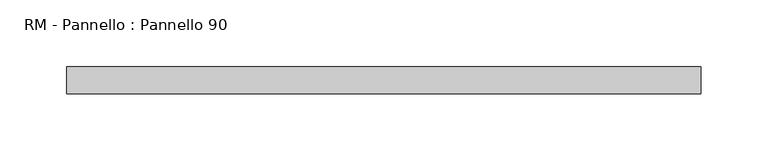
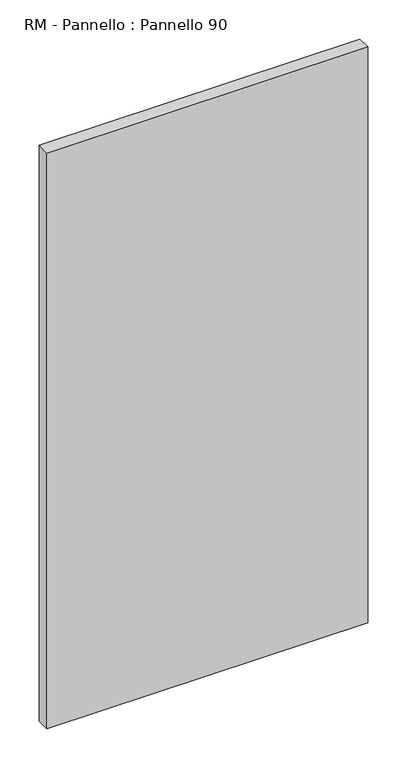
"""IFC4 building model written with IfcOpenShell, lengths in millimetres: plate geometry, RM - Pannello : Pannello 90."""

from ifc_helpers import new_model, si_unit, origin, origin_with_axes, place, context, project, spatial, polyline, outline, extrude, source, transform, mapped, element, save


def rm_pannello_pannello_90_d6ac22aa(model_context):
    return source(origin(), model_context, "Body", "SweptSolid", [
        extrude(outline(polyline([(237.0, -200.0), (-237.0, -200.0), (-237.0, -180.0), (237.0, -180.0), (237.0, -200.0)])), origin_with_axes(), (0.0, 0.0, 1.0), 900.0),
    ])


if __name__ == "__main__":
    model = new_model("IFC4")
    model_context = context("Model", 3, world=origin())
    ifc_project = project(units=[si_unit("LENGTHUNIT", "METRE", prefix="MILLI")], contexts=[model_context])
    site = spatial("IfcSite", under=ifc_project)
    building = spatial("IfcBuilding", under=site)
    placement = place(None, origin())
    rm_pannello_pannello_90_shape = rm_pannello_pannello_90_d6ac22aa(model_context)
    element("IfcPlate", 1, ObjectType="RM - Pannello : Pannello 90", at=placement, inside=building, context=model_context, shape_type="MappedRepresentation", body=[
        mapped(rm_pannello_pannello_90_shape, transform((0.0, 0.0, 0.0), x_axis=(1.0, 0.0, 0.0), y_axis=(0.0, 1.0, 0.0), z_axis=(0.0, 0.0, 1.0))),
    ])
    save(model, "model.ifc")
